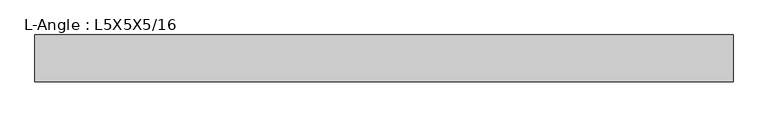
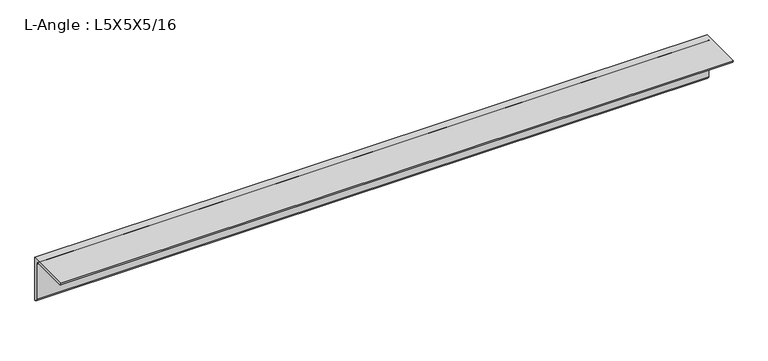
"""IFC4 building model written with IfcOpenShell, lengths in millimetres: beam geometry, L-Angle : L5X5X5/16."""

from ifc_helpers import new_model, si_unit, point, frame, frame_2d, origin, place, context, project, spatial, polyline, circle_curve, trimmed, segment, composite_curve, outline, extrude, source, transform, mapped, element, save


def l_angle_l5x5x5_16_4c609759(model_context):
    return source(origin(), model_context, "Body", "SweptSolid", [
        extrude(outline(composite_curve([segment(polyline([(34.3296875, 34.3296875), (34.3296875, -92.6703125)]), True, "CONTINUOUS"), segment(trimmed(circle_curve(frame_2d((34.3296875, -84.7328125)), 7.9375), [point((34.3296875, -92.6703125))], [point((26.3921875, -84.7328125))], False, "CARTESIAN"), True, "CONTINUOUS"), segment(polyline([(26.3921875, -84.7328125), (26.3921875, 18.4546875)]), True, "CONTINUOUS"), segment(trimmed(circle_curve(frame_2d((18.4546875, 18.4546875)), 7.9375), [point((26.3921875, 18.4546875))], [point((18.4546875, 26.3921875))], True, "CARTESIAN"), True, "CONTINUOUS"), segment(polyline([(18.4546875, 26.3921875), (-84.7328125, 26.3921875)]), True, "CONTINUOUS"), segment(trimmed(circle_curve(frame_2d((-84.7328125, 34.3296875)), 7.9375), [point((-84.7328125, 26.3921875))], [point((-92.6703125, 34.3296875))], False, "CARTESIAN"), True, "CONTINUOUS"), segment(polyline([(-92.6703125, 34.3296875), (34.3296875, 34.3296875)]), True, "CONTINUOUS")], self_intersect=False)), frame((-990.6, 0.0, 0.0), z_axis=(1.0, 0.0, 0.0), x_axis=(0.0, 1.0, 0.0)), (0.0, 0.0, 1.0), 1892.0519531),
    ])


if __name__ == "__main__":
    model = new_model("IFC4")
    model_context = context("Model", 3, world=origin())
    ifc_project = project(units=[si_unit("LENGTHUNIT", "METRE", prefix="MILLI")], contexts=[model_context])
    site = spatial("IfcSite", under=ifc_project)
    building = spatial("IfcBuilding", under=site)
    placement = place(None, origin())
    l_angle_l5x5x5_16_shape = l_angle_l5x5x5_16_4c609759(model_context)
    element("IfcBeam", 1, ObjectType="L-Angle : L5X5X5/16", at=placement, inside=building, context=model_context, shape_type="MappedRepresentation", body=[
        mapped(l_angle_l5x5x5_16_shape, transform((0.0, 0.0, 0.0), x_axis=(1.0, 0.0, 0.0), y_axis=(0.0, 1.0, 0.0), z_axis=(0.0, 0.0, 1.0))),
    ])
    save(model, "model.ifc")
